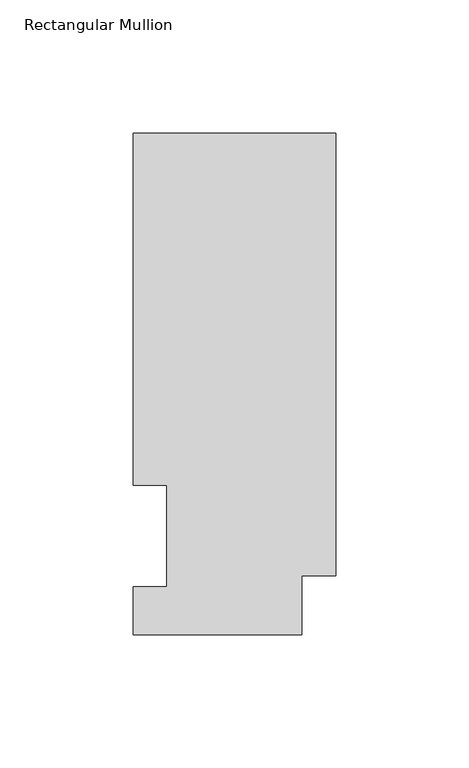
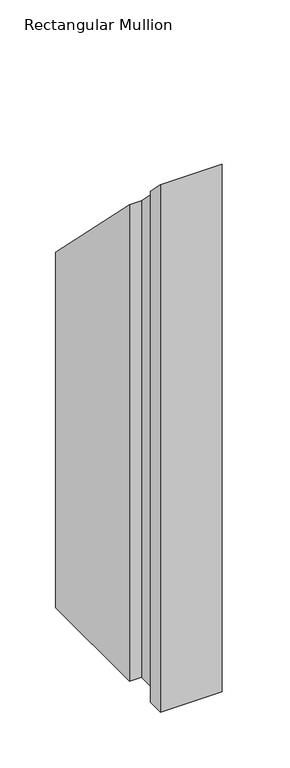
"""IFC4 building model written with IfcOpenShell, lengths in millimetres: member geometry, Rectangular Mullion."""

from ifc_helpers import new_model, si_unit, origin, place, context, project, spatial, faceted_brep, source, transform, mapped, element, save


def rectangular_mullion_4ce1890b(model_context):
    return source(origin(), model_context, "Body", "Brep", [
        faceted_brep([(-76.2, 189.0897822, -578.3460937), (0.0, 189.0897822, -578.3460937), (0.0, 22.6195299, -578.3460937), (-12.7, 22.6195299, -578.3460937), (-12.7, 0.5199062, -578.3460937), (-76.2, 0.5199062, -578.3460937), (-76.2, 18.5539063, -578.3460937), (-63.5762, 18.5539063, -578.3460937), (-63.5762, 56.6539062, -578.3460937), (-76.2, 56.6539062, -578.3460937), (-76.2, 56.6539062, -56.6539063), (-76.2, 189.0897822, -189.0897822), (-63.5762, 56.6539062, -56.6539063), (-63.5762, 18.5539063, -18.5539063), (-76.2, 18.5539063, -18.5539063), (-76.2, 0.5199062, -0.5199062), (-12.7, 0.5199062, -0.5199062), (-12.7, 22.6195299, -22.6195299), (0.0, 22.6195299, -22.6195299), (0.0, 189.0897822, -189.0897822)], [[[0, 1, 2, 3, 4, 5, 6, 7, 8, 9]], [[10, 11, 0, 9]], [[12, 10, 9, 8]], [[13, 12, 8, 7]], [[14, 13, 7, 6]], [[15, 14, 6, 5]], [[16, 15, 5, 4]], [[17, 16, 4, 3]], [[18, 17, 3, 2]], [[19, 18, 2, 1]], [[11, 19, 1, 0]], [[11, 10, 12, 13, 14, 15, 16, 17, 18, 19]]]),
    ])


if __name__ == "__main__":
    model = new_model("IFC4")
    model_context = context("Model", 3, world=origin())
    ifc_project = project(units=[si_unit("LENGTHUNIT", "METRE", prefix="MILLI")], contexts=[model_context])
    site = spatial("IfcSite", under=ifc_project)
    building = spatial("IfcBuilding", under=site)
    placement = place(None, origin())
    rectangular_mullion_shape = rectangular_mullion_4ce1890b(model_context)
    element("IfcMember", 1, ObjectType="Rectangular Mullion", at=placement, inside=building, context=model_context, shape_type="MappedRepresentation", body=[
        mapped(rectangular_mullion_shape, transform((0.0, 0.0, 0.0), x_axis=(1.0, 0.0, 0.0), y_axis=(0.0, 1.0, 0.0), z_axis=(0.0, 0.0, 1.0))),
    ])
    save(model, "model.ifc")
